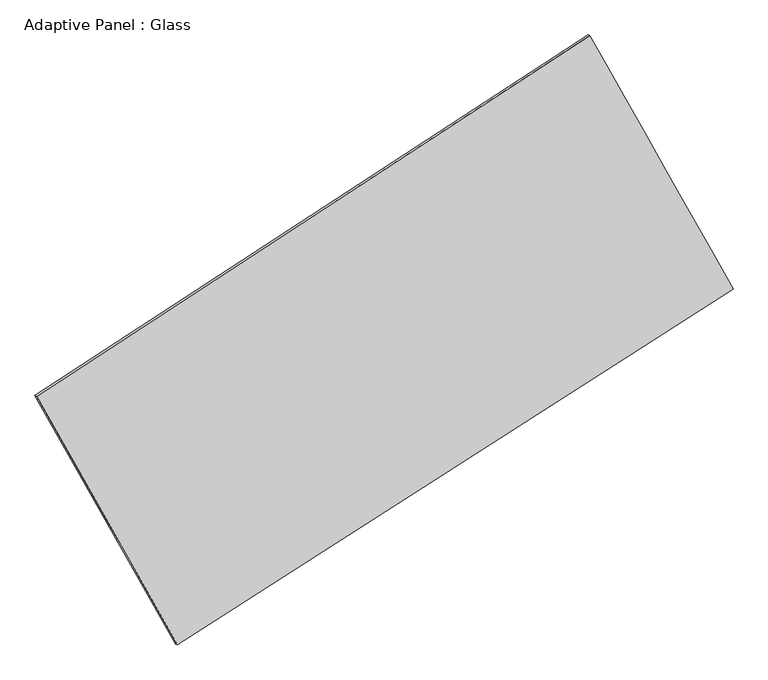
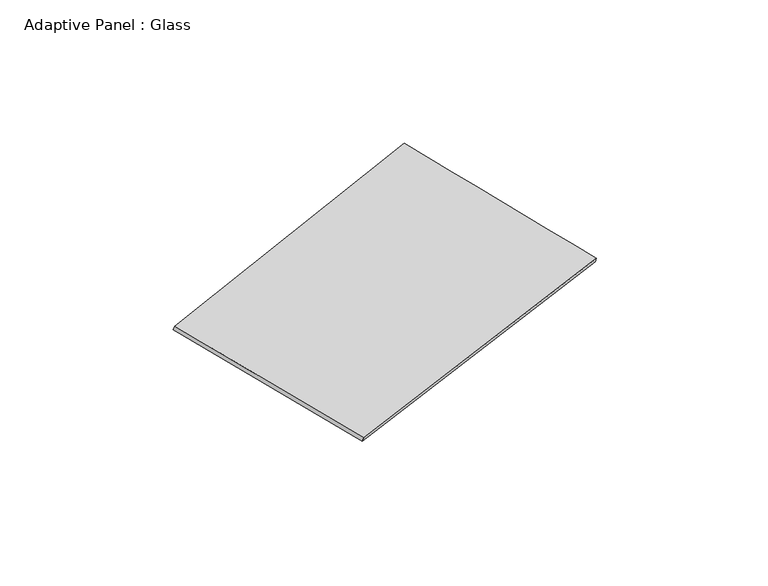
"""IFC4 building model written with IfcOpenShell, lengths in millimetres: plate geometry, Adaptive Panel : Glass."""

import ifcopenshell
import ifcopenshell.guid

model = None  # the IFC model being written
_history = None  # IfcOwnerHistory: only IFC2X3 demands one
_inside = {}  # id of a spatial element -> (the spatial element, [elements in it])
_under = {}  # id of a project, library or spatial element -> (it, [spatial elements below it])
_declared = {}  # id of a project -> (the project, [libraries it declares])
_typed = {}  # id of a type object -> (the type object, [elements of that type])
_made_of = {}  # id of a material, layer set ... -> (it, [elements and type objects made of it])


def new_model(schema):
    """Start an empty IFC model of exactly this schema.

    Asked for "IFC4X3", IfcOpenShell would pick the latest addendum, in which some entities
    have other attributes; the version numbers below select the first issue.
    IFC2X3 requires an IfcOwnerHistory on every rooted entity: one is made here for all.
    """
    global model, _history
    if schema == "IFC4X3":
        model = ifcopenshell.file(schema_version=(4, 3, 0, 0))
    else:
        model = ifcopenshell.file(schema=schema)
    _inside.clear()
    _under.clear()
    _declared.clear()
    _typed.clear()
    _made_of.clear()
    _history = None
    if model.schema == "IFC2X3":
        org = make("IfcOrganization", Name="unknown")
        user = make(
            "IfcPersonAndOrganization",
            ThePerson=make("IfcPerson", FamilyName="unknown"),
            TheOrganization=org,
        )
        app = make(
            "IfcApplication",
            ApplicationDeveloper=org,
            Version="unknown",
            ApplicationFullName="unknown",
            ApplicationIdentifier="unknown",
        )
        _history = make(
            "IfcOwnerHistory",
            OwningUser=user,
            OwningApplication=app,
            ChangeAction="ADDED",
            CreationDate=0,
        )
    return model


def make(cls, **values):
    """One entity of the class cls with the attributes given. An attribute that is None is left unset."""
    return model.create_entity(
        cls, **{name: value for name, value in values.items() if value is not None}
    )


def rooted(cls, **values):
    """An entity with a GlobalId (a new one), such as an element, a storey or a relation."""
    return make(cls, GlobalId=ifcopenshell.guid.new(), OwnerHistory=_history, **values)


def si_unit(unit_type, name, prefix=None):
    """IfcSIUnit, for example si_unit("LENGTHUNIT", "METRE", prefix="MILLI")."""
    return make("IfcSIUnit", UnitType=unit_type, Prefix=prefix, Name=name)


def assignment(units):
    """IfcUnitAssignment: the units of a project."""
    return None if units is None else make("IfcUnitAssignment", Units=units)


def point(xyz):
    """IfcCartesianPoint."""
    return None if xyz is None else make("IfcCartesianPoint", Coordinates=xyz)


def direction(xyz):
    """IfcDirection."""
    return None if xyz is None else make("IfcDirection", DirectionRatios=xyz)


def frame(location, z_axis=None, x_axis=None):
    """IfcAxis2Placement3D, a coordinate frame: its origin and axes. An axis left out is left unset."""
    return make(
        "IfcAxis2Placement3D",
        Location=point(location),
        Axis=direction(z_axis),
        RefDirection=direction(x_axis),
    )


def origin():
    """The frame at (0, 0, 0) with its axes left unset."""
    return frame((0.0, 0.0, 0.0))


def place(relative_to, where):
    """IfcLocalPlacement: puts the frame where relative to a parent placement (None: the world)."""
    return make(
        "IfcLocalPlacement", PlacementRelTo=relative_to, RelativePlacement=where
    )


def context(
    kind, dimensions, precision=None, world=None, true_north=None, identifier=None
):
    """IfcGeometricRepresentationContext, for example the 3D "Model" context."""
    return make(
        "IfcGeometricRepresentationContext",
        ContextIdentifier=identifier,
        ContextType=kind,
        CoordinateSpaceDimension=dimensions,
        Precision=precision,
        WorldCoordinateSystem=world,
        TrueNorth=true_north,
    )


def project(units=None, contexts=None):
    """IfcProject with its units and contexts."""
    return rooted(
        "IfcProject",
        Name="project",
        RepresentationContexts=contexts,
        UnitsInContext=assignment(units),
    )


def spatial(cls, under=None, at=None, **own):
    """A site, building, storey or space (cls), placed at a placement, below another one or the project."""
    s = rooted(cls, ObjectPlacement=at, **own)
    if under is not None:
        _under.setdefault(under.id(), (under, []))[1].append(s)
    return s


def shape(context_of_items, identifier, shape_type, items):
    """IfcShapeRepresentation: the items that make up one representation, for example the "Body"."""
    return make(
        "IfcShapeRepresentation",
        ContextOfItems=context_of_items,
        RepresentationIdentifier=identifier,
        RepresentationType=shape_type,
        Items=items,
    )


def source(mapping_origin, context_of_items, identifier, shape_type, items):
    """IfcRepresentationMap: a shape defined once, which mapped items show again and again."""
    return make(
        "IfcRepresentationMap",
        MappingOrigin=mapping_origin,
        MappedRepresentation=shape(context_of_items, identifier, shape_type, items),
    )


def transform(
    local_origin,
    x_axis=None,
    y_axis=None,
    z_axis=None,
    scale=None,
    scale2=None,
    scale3=None,
    uniform=True,
):
    """IfcCartesianTransformationOperator3D, or its non-uniform kind. x_axis, y_axis, z_axis: its Axis1, 2, 3."""
    if uniform:
        return make(
            "IfcCartesianTransformationOperator3D",
            Axis1=direction(x_axis),
            Axis2=direction(y_axis),
            LocalOrigin=point(local_origin),
            Scale=scale,
            Axis3=direction(z_axis),
        )
    return make(
        "IfcCartesianTransformationOperator3DnonUniform",
        Axis1=direction(x_axis),
        Axis2=direction(y_axis),
        LocalOrigin=point(local_origin),
        Scale=scale,
        Axis3=direction(z_axis),
        Scale2=scale2,
        Scale3=scale3,
    )


def mapped(mapping_source, mapping_target):
    """IfcMappedItem: shows the shape of a source again, moved by a transform."""
    return make(
        "IfcMappedItem", MappingSource=mapping_source, MappingTarget=mapping_target
    )


def made_of(thing, what):
    """Note that an element or type object is made of a material, layer set ...; save() writes the relation."""
    if what is not None:
        _made_of.setdefault(what.id(), (what, []))[1].append(thing)
    return thing


def element(
    cls,
    number,
    at=None,
    inside=None,
    cuts=None,
    type_object=None,
    material=None,
    context=None,
    identifier="Body",
    shape_type=None,
    held_by="IfcProductDefinitionShape",
    body=None,
    shapes=None,
    **own,
):
    """One element of the class cls, such as IfcWall. Its Tag is "e" and its number.

    at: its placement. inside: the storey or other place that contains it. cuts: it is an
    opening in that element (IfcRelVoidsElement). A single representation is given by context,
    identifier, shape_type and body (its items); several are given by shapes. held_by: the class
    of the entity that holds the representations. save() writes the other relations.
    """
    e = rooted(cls, Tag="e%d" % number, ObjectPlacement=at, **own)
    if body is not None:
        shapes = [shape(context, identifier, shape_type, body)]
    if shapes is not None:
        e.Representation = make(held_by, Representations=shapes)
    if inside is not None:
        _inside.setdefault(inside.id(), (inside, []))[1].append(e)
    if cuts is not None:
        rooted(
            "IfcRelVoidsElement", RelatingBuildingElement=cuts, RelatedOpeningElement=e
        )
    if type_object is not None:
        _typed.setdefault(type_object.id(), (type_object, []))[1].append(e)
    return made_of(e, material)


def aggregate(whole, parts):
    """IfcRelAggregates: a whole, such as a stair, and the parts it consists of."""
    return rooted("IfcRelAggregates", RelatingObject=whole, RelatedObjects=parts)


def save(model, path):
    """Write the relations noted so far, then the file.

    IfcRelAggregates (storeys below a building ...), IfcRelContainedInSpatialStructure (elements
    in a storey), IfcRelDefinesByType, IfcRelAssociatesMaterial and IfcRelDeclares: one each for
    every whole, place, type object, material and project.
    """
    for whole, parts in _under.values():
        aggregate(whole, parts)
    for where, things in _inside.values():
        rooted(
            "IfcRelContainedInSpatialStructure",
            RelatedElements=things,
            RelatingStructure=where,
        )
    for kind, things in _typed.values():
        rooted("IfcRelDefinesByType", RelatedObjects=things, RelatingType=kind)
    for what, things in _made_of.values():
        rooted("IfcRelAssociatesMaterial", RelatedObjects=things, RelatingMaterial=what)
    for by, libraries in _declared.values():
        rooted("IfcRelDeclares", RelatingContext=by, RelatedDefinitions=libraries)
    model.write(path)


def plane_surface(at):
    """IfcPlane: the flat surface through the origin of the frame at, square to its z axis."""
    return make("IfcPlane", Position=at)


def spline_surface(u_degree, v_degree, points, u_multiplicities, v_multiplicities, u_knots, v_knots, weights=None):
    """IfcBSplineSurfaceWithKnots; with weights, IfcRationalBSplineSurfaceWithKnots. points: one row for each step in u."""
    own = dict(
        UDegree=u_degree,
        VDegree=v_degree,
        ControlPointsList=[[point(p) for p in row] for row in points],
        SurfaceForm="UNSPECIFIED",
        UClosed=False,
        VClosed=False,
        SelfIntersect=False,
        UMultiplicities=u_multiplicities,
        VMultiplicities=v_multiplicities,
        UKnots=u_knots,
        VKnots=v_knots,
        KnotSpec="UNSPECIFIED",
    )
    if weights is None:
        return make("IfcBSplineSurfaceWithKnots", **own)
    return make("IfcRationalBSplineSurfaceWithKnots", WeightsData=weights, **own)


def advanced_brep(points, edges, surfaces, faces):
    """IfcAdvancedBrep: a solid bounded by faces that lie on surfaces and meet in shared edges.

    An edge is (start, end): straight between two places in points (the first is 0);
    or (start, end, curve); or (start, end, curve, False) where it runs against its curve.
    A face is (place in surfaces, loops), or (place, loops, False) where it looks against
    its surface's normal. A loop lists edges by number (the first is 1), with a minus sign
    where the edge is run from its end to its start. The first loop is the outer one.
    """
    corners = [point(p) for p in points]
    vertices = [make("IfcVertexPoint", VertexGeometry=c) for c in corners]
    made = []
    for start, end, *more in edges:
        made.append(
            make(
                "IfcEdgeCurve",
                EdgeStart=vertices[start],
                EdgeEnd=vertices[end],
                EdgeGeometry=more[0] if more else make("IfcPolyline", Points=[corners[start], corners[end]]),
                SameSense=more[1] if len(more) > 1 else True,
            )
        )
    hull = []
    for where, loops, *sense in faces:
        bounds = []
        for j, loop in enumerate(loops):
            ring = [make("IfcOrientedEdge", EdgeElement=made[abs(k) - 1], Orientation=k > 0) for k in loop]
            bounds.append(
                make(
                    "IfcFaceOuterBound" if j == 0 else "IfcFaceBound",
                    Bound=make("IfcEdgeLoop", EdgeList=ring),
                    Orientation=True,
                )
            )
        hull.append(make("IfcAdvancedFace", Bounds=bounds, FaceSurface=surfaces[where], SameSense=sense[0] if sense else True))
    return make("IfcAdvancedBrep", Outer=make("IfcClosedShell", CfsFaces=hull))


def adaptive_panel_glass_47b0da42(model_context):
    return source(origin(), model_context, "Body", "AdvancedBrep", [
        advanced_brep(
        [(1150.0966156, 2579.4379109, 677.1656949), (-3695.2600421, -581.1456888, 1746.4094086), (-3680.5936863, -587.5257823, 1793.7823166), (1164.7629714, 2573.0578174, 724.538603), (-2462.2506881, -2758.8831879, 1076.6210809), (-2447.5843322, -2765.2632814, 1123.9939889), (2404.1235365, 360.3423931, -15.0736642), (2418.7898923, 353.9622996, 32.2992438)],
        [
            (0, 1),
            (1, 2),
            (2, 3),
            (3, 0),
            (1, 4),
            (4, 5),
            (5, 2),
            (4, 6),
            (6, 7),
            (7, 5),
            (6, 0),
            (3, 7),
        ],
        [
            plane_surface(frame((-1272.5817133, 999.146111, 1211.7875518), z_axis=(-0.48581833035167055, 0.8336540669499191, 0.26268126418185045), x_axis=(-0.8236157150077749, -0.5372372985517646, 0.18175048565831695))),
            plane_surface(frame((-3078.7553651, -1670.0144384, 1411.5152447), z_axis=(-0.8294385897321247, -0.5267767499788075, 0.18584370192435828), x_axis=(0.4759458827876298, -0.8406142200593449, -0.25854061516814564))),
            plane_surface(frame((-29.0635758, -1199.2703974, 530.7737083), z_axis=(0.47871971196376156, -0.8382441804959686, -0.26110176414948866), x_axis=(0.8272730076601904, 0.5302615476969031, -0.18558572636640844))),
            plane_surface(frame((1777.110076, 1469.890152, 331.0460154), z_axis=(0.8294712153746628, 0.5267190706424723, -0.18586157076278553), x_axis=(-0.4747866797965384, 0.8401709528837807, 0.2620884938682719))),
            spline_surface(1, 1, [[(-3680.5936863, -587.5257823, 1793.7823166), (1164.7629714, 2573.0578174, 724.538603)], [(-2447.5843322, -2765.2632814, 1123.9939889), (2418.7898923, 353.9622996, 32.2992438)]], [2, 2], [2, 2], [0.0, 1.0], [0.0, 1.0]),
            spline_surface(1, 1, [[(2404.1235365, 360.3423931, -15.0736642), (1150.0966156, 2579.4379109, 677.1656949)], [(-2462.2506881, -2758.8831879, 1076.6210809), (-3695.2600421, -581.1456888, 1746.4094086)]], [2, 2], [2, 2], [0.0, 1.0], [0.0, 1.0]),
        ],
        [
            (0, [[1, 2, 3, 4]]),
            (1, [[5, 6, 7, -2]]),
            (2, [[8, 9, 10, -6]]),
            (3, [[11, -4, 12, -9]]),
            (4, [[-3, -7, -10, -12]]),
            (5, [[-11, -8, -5, -1]]),
        ],
    ),
    ])


if __name__ == "__main__":
    model = new_model("IFC4")
    model_context = context("Model", 3, world=origin())
    ifc_project = project(units=[si_unit("LENGTHUNIT", "METRE", prefix="MILLI")], contexts=[model_context])
    site = spatial("IfcSite", under=ifc_project)
    building = spatial("IfcBuilding", under=site)
    placement = place(None, origin())
    adaptive_panel_glass_shape = adaptive_panel_glass_47b0da42(model_context)
    element("IfcPlate", 1, ObjectType="Adaptive Panel : Glass", at=placement, inside=building, context=model_context, shape_type="MappedRepresentation", body=[
        mapped(adaptive_panel_glass_shape, transform((0.0, 0.0, 0.0), x_axis=(1.0, 0.0, 0.0), y_axis=(0.0, 1.0, 0.0), z_axis=(0.0, 0.0, 1.0))),
    ])
    save(model, "model.ifc")
